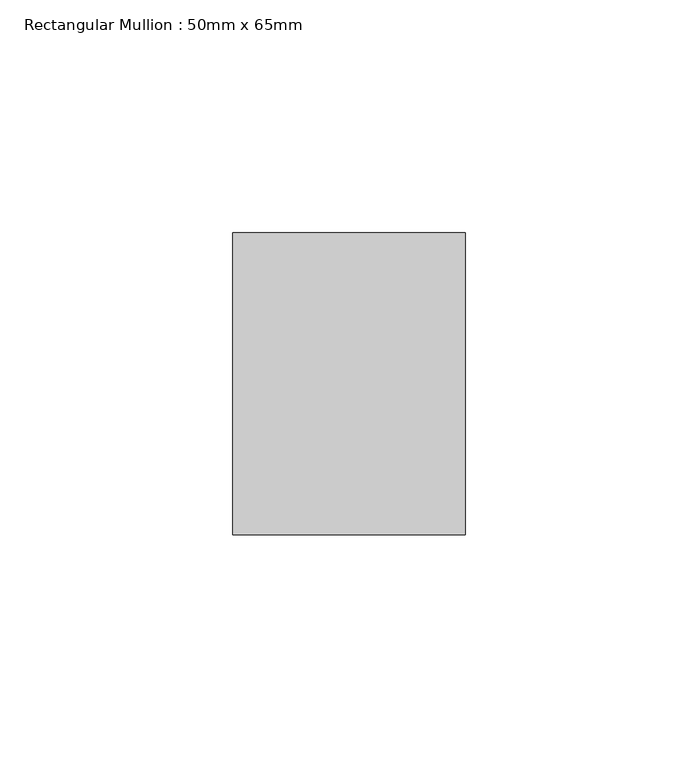
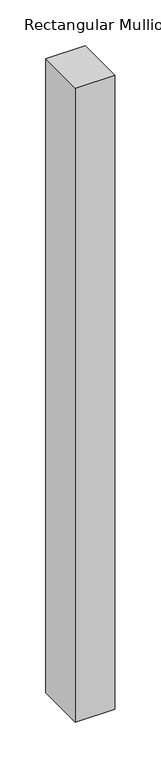
"""IFC4 building model written with IfcOpenShell, lengths in millimetres: member geometry, Rectangular Mullion : 50mm x 65mm."""

from ifc_helpers import new_model, si_unit, frame, origin, place, context, project, spatial, polyline, outline, extrude, source, transform, mapped, element, save


def rectangular_mullion_50mm_x_65mm_47e07be5(model_context):
    return source(origin(), model_context, "Body", "SweptSolid", [
        extrude(outline(polyline([(25.0, 32.5), (25.0, -32.5), (-25.0, -32.5), (-25.0, 32.5), (25.0, 32.5)])), frame((0.0, 0.0, -846.7251274), z_axis=(0.0, 0.0, 1.0), x_axis=(1.0, 0.0, 0.0)), (0.0, 0.0, 1.0), 846.7251274),
    ])


if __name__ == "__main__":
    model = new_model("IFC4")
    model_context = context("Model", 3, world=origin())
    ifc_project = project(units=[si_unit("LENGTHUNIT", "METRE", prefix="MILLI")], contexts=[model_context])
    site = spatial("IfcSite", under=ifc_project)
    building = spatial("IfcBuilding", under=site)
    placement = place(None, origin())
    rectangular_mullion_50mm_x_65mm_shape = rectangular_mullion_50mm_x_65mm_47e07be5(model_context)
    element("IfcMember", 1, ObjectType="Rectangular Mullion : 50mm x 65mm", at=placement, inside=building, context=model_context, shape_type="MappedRepresentation", body=[
        mapped(rectangular_mullion_50mm_x_65mm_shape, transform((0.0, 0.0, 0.0), x_axis=(1.0, 0.0, 0.0), y_axis=(0.0, 1.0, 0.0), z_axis=(0.0, 0.0, 1.0))),
    ])
    save(model, "model.ifc")
